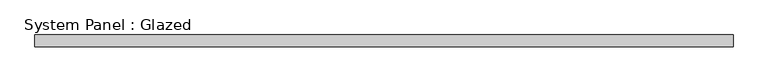
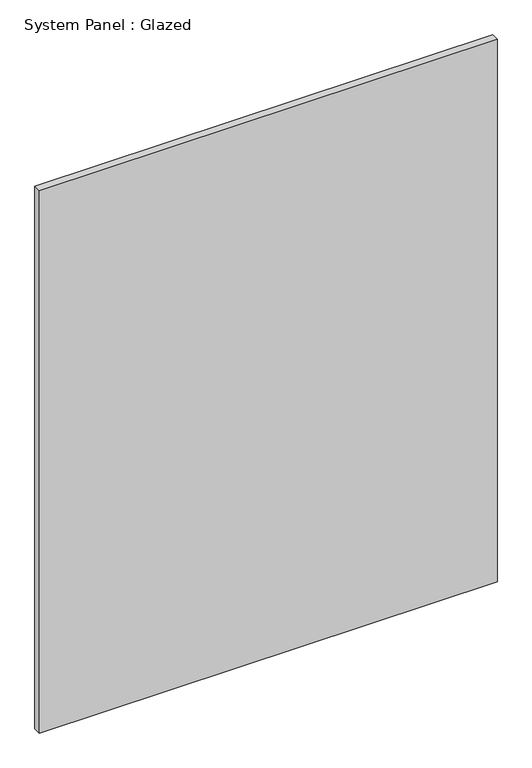
"""IFC4 building model written with IfcOpenShell, lengths in millimetres: plate geometry, System Panel : Glazed."""

from ifc_helpers import new_model, si_unit, origin, origin_with_axes, place, context, project, spatial, polyline, outline, extrude, source, transform, mapped, element, save


def system_panel_glazed_f6a2c958(model_context):
    return source(origin(), model_context, "Body", "SweptSolid", [
        extrude(outline(polyline([(757.8979, -12.7), (-757.8979, -12.7), (-757.8979, 12.7), (757.8979, 12.7), (757.8979, -12.7)])), origin_with_axes(), (0.0, 0.0, 1.0), 1898.396),
    ])


if __name__ == "__main__":
    model = new_model("IFC4")
    model_context = context("Model", 3, world=origin())
    ifc_project = project(units=[si_unit("LENGTHUNIT", "METRE", prefix="MILLI")], contexts=[model_context])
    site = spatial("IfcSite", under=ifc_project)
    building = spatial("IfcBuilding", under=site)
    placement = place(None, origin())
    system_panel_glazed_shape = system_panel_glazed_f6a2c958(model_context)
    element("IfcPlate", 1, ObjectType="System Panel : Glazed", at=placement, inside=building, context=model_context, shape_type="MappedRepresentation", body=[
        mapped(system_panel_glazed_shape, transform((0.0, 0.0, 0.0), x_axis=(1.0, 0.0, 0.0), y_axis=(0.0, 1.0, 0.0), z_axis=(0.0, 0.0, 1.0))),
    ])
    save(model, "model.ifc")
